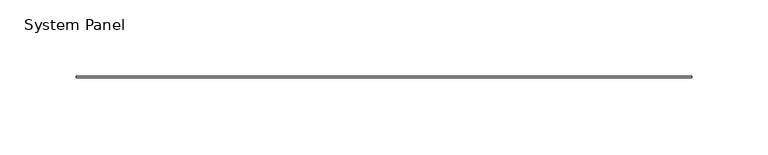
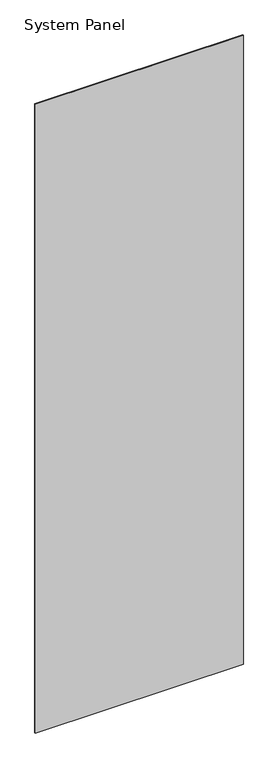
"""IFC4 building model written with IfcOpenShell, lengths in millimetres: plate geometry, System Panel."""

from ifc_helpers import new_model, si_unit, origin, origin_with_axes, place, context, project, spatial, polyline, outline, extrude, source, transform, mapped, element, save


def system_panel_74031eb2(model_context):
    return source(origin(), model_context, "Body", "SweptSolid", [
        extrude(outline(polyline([(201.4855, -0.4960938), (-201.4855, -0.4960938), (-201.4855, 0.4960938), (201.4855, 0.4960938), (201.4855, -0.4960938)])), origin_with_axes(), (0.0, 0.0, 1.0), 1285.875),
    ])


if __name__ == "__main__":
    model = new_model("IFC4")
    model_context = context("Model", 3, world=origin())
    ifc_project = project(units=[si_unit("LENGTHUNIT", "METRE", prefix="MILLI")], contexts=[model_context])
    site = spatial("IfcSite", under=ifc_project)
    building = spatial("IfcBuilding", under=site)
    placement = place(None, origin())
    system_panel_shape = system_panel_74031eb2(model_context)
    element("IfcPlate", 1, ObjectType="System Panel", at=placement, inside=building, context=model_context, shape_type="MappedRepresentation", body=[
        mapped(system_panel_shape, transform((0.0, 0.0, 0.0), x_axis=(1.0, 0.0, 0.0), y_axis=(0.0, 1.0, 0.0), z_axis=(0.0, 0.0, 1.0))),
    ])
    save(model, "model.ifc")
